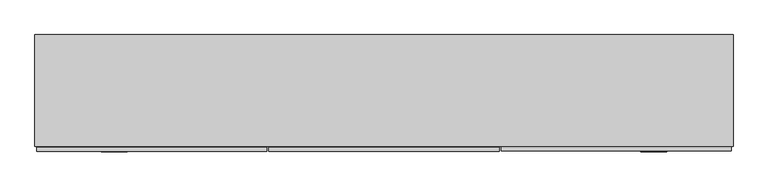
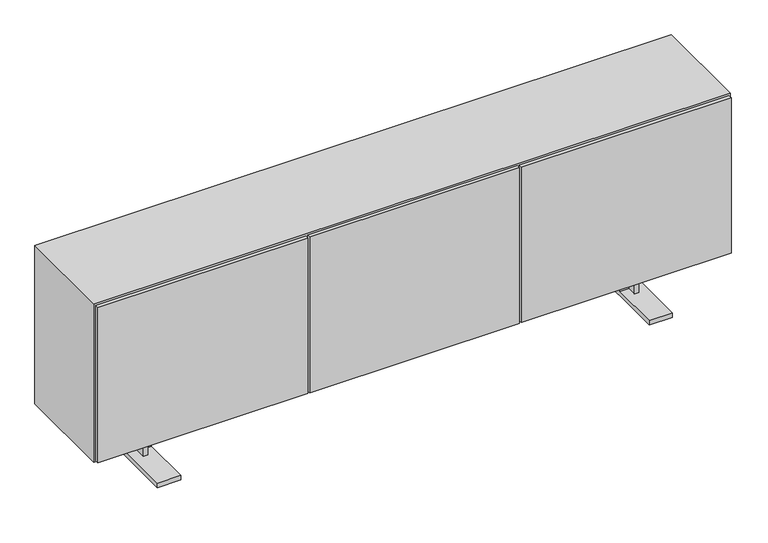
"""IFC4 building model written with IfcOpenShell, lengths in millimetres: furniture geometry."""

from ifc_helpers import new_model, si_unit, frame, origin, place, context, project, spatial, polyline, outline, extrude, faceted_brep, source, transform, mapped, element, save


def furniture_9c41fd84(model_context):
    return source(origin(), model_context, "Body", "SolidModel", [
        extrude(outline(polyline([(444.9764987, 15.00124), (444.9764987, 0.0), (-444.9764987, 0.0), (-444.9764987, 15.00124), (444.9764987, 15.00124)])), frame((0.0, 0.0, 196.85), z_axis=(0.0, 0.0, 1.0), x_axis=(1.0, 0.0, 0.0)), (0.0, 0.0, 1.0), 698.5),
        extrude(outline(polyline([(-453.0720026, 14.0619413), (-453.0720026, -0.9392987), (-1343.025, -0.9392987), (-1343.025, 14.0619413), (-453.0720026, 14.0619413)])), frame((0.0, 0.0, 196.85), z_axis=(0.0, 0.0, 1.0), x_axis=(1.0, 0.0, 0.0)), (0.0, 0.0, 1.0), 698.5),
        extrude(outline(polyline([(1343.025, 15.9405387), (1343.025, 0.9392987), (453.0720026, 0.9392987), (453.0720026, 15.9405387), (1343.025, 15.9405387)])), frame((0.0, 0.0, 196.85), z_axis=(0.0, 0.0, 1.0), x_axis=(1.0, 0.0, 0.0)), (0.0, 0.0, 1.0), 698.5),
        extrude(outline(polyline([(1330.325, 19.0420174), (-1330.325, 19.0420174), (-1330.325, 431.8), (1330.325, 431.8), (1330.325, 19.0420174)])), frame((0.0, 0.0, 536.575), z_axis=(0.0, 0.0, 1.0), x_axis=(1.0, 0.0, 0.0)), (0.0, 0.0, 1.0), 19.05),
        extrude(outline(polyline([(459.3166667, 19.0739478), (440.2666667, 19.0739478), (440.2666667, 423.0566059), (459.3166667, 423.0566059), (459.3166667, 19.0739478)])), frame((0.0, 0.0, 209.55), z_axis=(0.0, 0.0, 1.0), x_axis=(1.0, 0.0, 0.0)), (0.0, 0.0, 1.0), 673.1),
        extrude(outline(polyline([(-440.2666667, 19.0739478), (-459.3166667, 19.0739478), (-459.3166667, 423.0566059), (-440.2666667, 423.0566059), (-440.2666667, 19.0739478)])), frame((0.0, 0.0, 209.55), z_axis=(0.0, 0.0, 1.0), x_axis=(1.0, 0.0, 0.0)), (0.0, 0.0, 1.0), 673.1),
        faceted_brep([(1349.375, 19.0420174, 901.7), (-1349.375, 19.0420174, 901.7), (-1349.375, 19.0420174, 190.5), (1349.375, 19.0420174, 190.5), (-1330.325, 19.0420174, 882.65), (1330.325, 19.0420174, 882.65), (1330.325, 19.0420174, 209.55), (-1330.325, 19.0420174, 209.55), (1349.375, 450.85, 901.7), (1349.375, 450.85, 190.5), (-1349.375, 450.85, 190.5), (-1349.375, 450.85, 901.7), (-1330.325, 431.8, 882.65), (1330.325, 431.8, 882.65), (1330.325, 431.8, 209.55), (-1330.325, 431.8, 209.55)], [[[0, 1, 2, 3], [4, 5, 6, 7]], [[8, 9, 10, 11]], [[1, 0, 8, 11]], [[2, 1, 11, 10]], [[3, 2, 10, 9]], [[0, 3, 9, 8]], [[5, 4, 12, 13]], [[6, 5, 13, 14]], [[7, 6, 14, 15]], [[4, 7, 15, 12]], [[13, 12, 15, 14]]]),
        faceted_brep([(-1050.8500108, 171.1108775, 190.5), (-1031.8000108, 171.1108775, 190.5), (-1031.8000108, 211.6109348, 190.5), (1031.8000108, 211.6109348, 190.5), (1031.8000108, 171.1108775, 190.5), (1050.8500108, 171.1108775, 190.5), (1050.8500108, 269.1160418, 190.5), (1031.8000108, 269.1160418, 190.5), (1031.8000108, 230.9134, 190.5), (-1031.8000108, 230.9134, 190.5), (-1031.8000108, 269.1160418, 190.5), (-1050.8500108, 269.1160418, 190.5), (-1050.8500108, 171.1108775, 19.8859728), (-1031.8000108, 171.1108775, 19.8859728), (-1031.8000108, 211.6109348, 19.8859728), (-993.3499595, 211.6109348, 139.7), (993.3499595, 211.6109348, 139.7), (993.3499595, 211.6109348, 19.8859728), (1031.8000108, 211.6109348, 19.8859728), (-993.3499595, 211.6109348, 19.8859728), (-993.3499595, 230.9134, 139.7), (-993.3499595, -3.1790836, 19.8859728), (-993.3499595, -3.1790836, 0.0), (-993.3499595, 445.4008393, 0.0), (-993.3499595, 445.4008393, 19.8859728), (-993.3499595, 230.9134, 19.8859728), (993.3499595, 230.9134, 139.7), (-1031.8000108, 230.9134, 19.8859728), (1031.8000108, 230.9134, 19.8859728), (993.3499595, 230.9134, 19.8859728), (-1031.8000108, 269.1160418, 19.8859728), (-1050.8500108, 269.1160418, 19.8859728), (1031.8000108, 171.1108775, 19.8859728), (1050.8500108, 171.1108775, 19.8859728), (993.3499595, 445.4008393, 19.8859728), (993.3499595, 445.4008393, 0.0), (993.3499595, -3.1790836, 0.0), (993.3499595, -3.1790836, 19.8859728), (1031.8000108, 269.1160418, 19.8859728), (1050.8500108, 269.1160418, 19.8859728), (-1092.3500213, 445.4008393, 19.8859728), (-1092.3500213, -3.1790836, 19.8859728), (-1092.3500213, -3.1790836, 0.0), (-1092.3500213, 445.4008393, 0.0), (1092.3500213, -3.1790836, 19.8859728), (1092.3500213, 445.4008393, 19.8859728), (1092.3500213, 445.4008393, 0.0), (1092.3500213, -3.1790836, 0.0)], [[[0, 1, 2, 3, 4, 5, 6, 7, 8, 9, 10, 11]], [[1, 0, 12, 13]], [[2, 1, 13, 14]], [[15, 16, 17, 18, 3, 2, 14, 19]], [[20, 15, 19, 21, 22, 23, 24, 25]], [[26, 20, 25, 27, 9, 8, 28, 29]], [[10, 9, 27, 30]], [[11, 10, 30, 31]], [[0, 11, 31, 12]], [[20, 26, 16, 15]], [[5, 4, 32, 33]], [[4, 3, 18, 32]], [[26, 29, 34, 35, 36, 37, 17, 16]], [[8, 7, 38, 28]], [[7, 6, 39, 38]], [[6, 5, 33, 39]], [[24, 40, 41, 21, 19, 14, 13, 12, 31, 30, 27, 25]], [[23, 22, 42, 43]], [[40, 24, 23, 43]], [[41, 40, 43, 42]], [[21, 41, 42, 22]], [[37, 44, 45, 34, 29, 28, 38, 39, 33, 32, 18, 17]], [[35, 46, 47, 36]], [[34, 45, 46, 35]], [[45, 44, 47, 46]], [[44, 37, 36, 47]]]),
    ])


if __name__ == "__main__":
    model = new_model("IFC4")
    model_context = context("Model", 3, world=origin())
    ifc_project = project(units=[si_unit("LENGTHUNIT", "METRE", prefix="MILLI")], contexts=[model_context])
    site = spatial("IfcSite", under=ifc_project)
    building = spatial("IfcBuilding", under=site)
    placement = place(None, origin())
    furniture_shape = furniture_9c41fd84(model_context)
    element("IfcFurniture", 1, at=placement, inside=building, context=model_context, shape_type="MappedRepresentation", body=[
        mapped(furniture_shape, transform((0.0, 0.0, 0.0), x_axis=(1.0, 0.0, 0.0), y_axis=(0.0, 1.0, 0.0), z_axis=(0.0, 0.0, 1.0))),
    ])
    save(model, "model.ifc")
